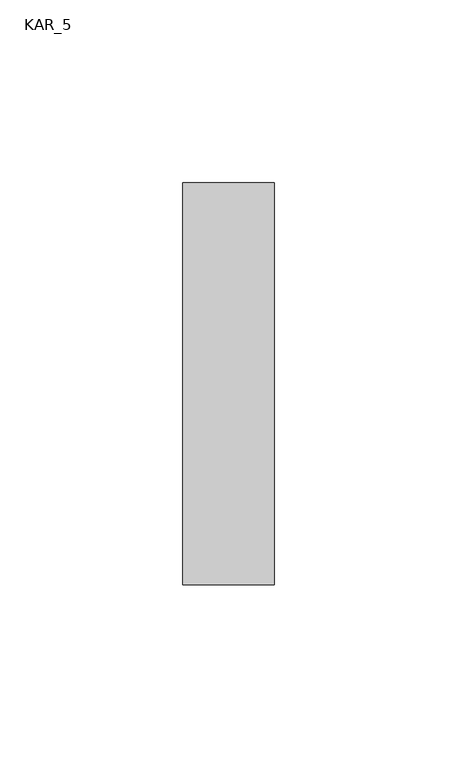
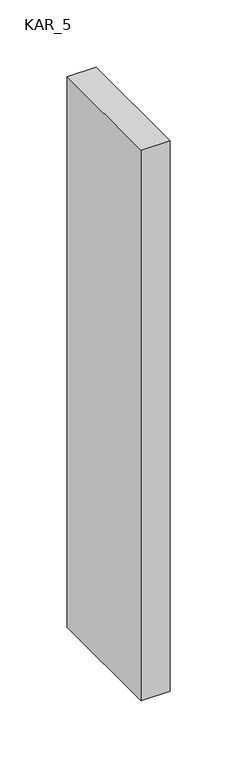
"""IFC4 building model written with IfcOpenShell, lengths in millimetres: proxy geometry, KAR_5."""

import ifcopenshell
import ifcopenshell.guid

model = None  # the IFC model being written
_history = None  # IfcOwnerHistory: only IFC2X3 demands one
_inside = {}  # id of a spatial element -> (the spatial element, [elements in it])
_under = {}  # id of a project, library or spatial element -> (it, [spatial elements below it])
_declared = {}  # id of a project -> (the project, [libraries it declares])
_typed = {}  # id of a type object -> (the type object, [elements of that type])
_made_of = {}  # id of a material, layer set ... -> (it, [elements and type objects made of it])


def new_model(schema):
    """Start an empty IFC model of exactly this schema.

    Asked for "IFC4X3", IfcOpenShell would pick the latest addendum, in which some entities
    have other attributes; the version numbers below select the first issue.
    IFC2X3 requires an IfcOwnerHistory on every rooted entity: one is made here for all.
    """
    global model, _history
    if schema == "IFC4X3":
        model = ifcopenshell.file(schema_version=(4, 3, 0, 0))
    else:
        model = ifcopenshell.file(schema=schema)
    _inside.clear()
    _under.clear()
    _declared.clear()
    _typed.clear()
    _made_of.clear()
    _history = None
    if model.schema == "IFC2X3":
        org = make("IfcOrganization", Name="unknown")
        user = make(
            "IfcPersonAndOrganization",
            ThePerson=make("IfcPerson", FamilyName="unknown"),
            TheOrganization=org,
        )
        app = make(
            "IfcApplication",
            ApplicationDeveloper=org,
            Version="unknown",
            ApplicationFullName="unknown",
            ApplicationIdentifier="unknown",
        )
        _history = make(
            "IfcOwnerHistory",
            OwningUser=user,
            OwningApplication=app,
            ChangeAction="ADDED",
            CreationDate=0,
        )
    return model


def make(cls, **values):
    """One entity of the class cls with the attributes given. An attribute that is None is left unset."""
    return model.create_entity(
        cls, **{name: value for name, value in values.items() if value is not None}
    )


def rooted(cls, **values):
    """An entity with a GlobalId (a new one), such as an element, a storey or a relation."""
    return make(cls, GlobalId=ifcopenshell.guid.new(), OwnerHistory=_history, **values)


def si_unit(unit_type, name, prefix=None):
    """IfcSIUnit, for example si_unit("LENGTHUNIT", "METRE", prefix="MILLI")."""
    return make("IfcSIUnit", UnitType=unit_type, Prefix=prefix, Name=name)


def assignment(units):
    """IfcUnitAssignment: the units of a project."""
    return None if units is None else make("IfcUnitAssignment", Units=units)


def point(xyz):
    """IfcCartesianPoint."""
    return None if xyz is None else make("IfcCartesianPoint", Coordinates=xyz)


def direction(xyz):
    """IfcDirection."""
    return None if xyz is None else make("IfcDirection", DirectionRatios=xyz)


def frame(location, z_axis=None, x_axis=None):
    """IfcAxis2Placement3D, a coordinate frame: its origin and axes. An axis left out is left unset."""
    return make(
        "IfcAxis2Placement3D",
        Location=point(location),
        Axis=direction(z_axis),
        RefDirection=direction(x_axis),
    )


def origin():
    """The frame at (0, 0, 0) with its axes left unset."""
    return frame((0.0, 0.0, 0.0))


def place(relative_to, where):
    """IfcLocalPlacement: puts the frame where relative to a parent placement (None: the world)."""
    return make(
        "IfcLocalPlacement", PlacementRelTo=relative_to, RelativePlacement=where
    )


def context(
    kind, dimensions, precision=None, world=None, true_north=None, identifier=None
):
    """IfcGeometricRepresentationContext, for example the 3D "Model" context."""
    return make(
        "IfcGeometricRepresentationContext",
        ContextIdentifier=identifier,
        ContextType=kind,
        CoordinateSpaceDimension=dimensions,
        Precision=precision,
        WorldCoordinateSystem=world,
        TrueNorth=true_north,
    )


def project(units=None, contexts=None):
    """IfcProject with its units and contexts."""
    return rooted(
        "IfcProject",
        Name="project",
        RepresentationContexts=contexts,
        UnitsInContext=assignment(units),
    )


def spatial(cls, under=None, at=None, **own):
    """A site, building, storey or space (cls), placed at a placement, below another one or the project."""
    s = rooted(cls, ObjectPlacement=at, **own)
    if under is not None:
        _under.setdefault(under.id(), (under, []))[1].append(s)
    return s


def polyline(points):
    """IfcPolyline through the points."""
    return make("IfcPolyline", Points=[point(p) for p in points])


def outline(outer, holes=None, kind="AREA"):
    """IfcArbitraryClosedProfileDef: a profile drawn as a closed curve; with holes, ...WithVoids."""
    if holes is None:
        return make("IfcArbitraryClosedProfileDef", ProfileType=kind, OuterCurve=outer)
    return make(
        "IfcArbitraryProfileDefWithVoids",
        ProfileType=kind,
        OuterCurve=outer,
        InnerCurves=holes,
    )


def extrude(swept, where, along, depth):
    """IfcExtrudedAreaSolid: the profile swept, set in the frame where, extruded along a direction by depth."""
    return make(
        "IfcExtrudedAreaSolid",
        SweptArea=swept,
        Position=where,
        ExtrudedDirection=direction(along),
        Depth=depth,
    )


def shape(context_of_items, identifier, shape_type, items):
    """IfcShapeRepresentation: the items that make up one representation, for example the "Body"."""
    return make(
        "IfcShapeRepresentation",
        ContextOfItems=context_of_items,
        RepresentationIdentifier=identifier,
        RepresentationType=shape_type,
        Items=items,
    )


def source(mapping_origin, context_of_items, identifier, shape_type, items):
    """IfcRepresentationMap: a shape defined once, which mapped items show again and again."""
    return make(
        "IfcRepresentationMap",
        MappingOrigin=mapping_origin,
        MappedRepresentation=shape(context_of_items, identifier, shape_type, items),
    )


def transform(
    local_origin,
    x_axis=None,
    y_axis=None,
    z_axis=None,
    scale=None,
    scale2=None,
    scale3=None,
    uniform=True,
):
    """IfcCartesianTransformationOperator3D, or its non-uniform kind. x_axis, y_axis, z_axis: its Axis1, 2, 3."""
    if uniform:
        return make(
            "IfcCartesianTransformationOperator3D",
            Axis1=direction(x_axis),
            Axis2=direction(y_axis),
            LocalOrigin=point(local_origin),
            Scale=scale,
            Axis3=direction(z_axis),
        )
    return make(
        "IfcCartesianTransformationOperator3DnonUniform",
        Axis1=direction(x_axis),
        Axis2=direction(y_axis),
        LocalOrigin=point(local_origin),
        Scale=scale,
        Axis3=direction(z_axis),
        Scale2=scale2,
        Scale3=scale3,
    )


def mapped(mapping_source, mapping_target):
    """IfcMappedItem: shows the shape of a source again, moved by a transform."""
    return make(
        "IfcMappedItem", MappingSource=mapping_source, MappingTarget=mapping_target
    )


def made_of(thing, what):
    """Note that an element or type object is made of a material, layer set ...; save() writes the relation."""
    if what is not None:
        _made_of.setdefault(what.id(), (what, []))[1].append(thing)
    return thing


def element(
    cls,
    number,
    at=None,
    inside=None,
    cuts=None,
    type_object=None,
    material=None,
    context=None,
    identifier="Body",
    shape_type=None,
    held_by="IfcProductDefinitionShape",
    body=None,
    shapes=None,
    **own,
):
    """One element of the class cls, such as IfcWall. Its Tag is "e" and its number.

    at: its placement. inside: the storey or other place that contains it. cuts: it is an
    opening in that element (IfcRelVoidsElement). A single representation is given by context,
    identifier, shape_type and body (its items); several are given by shapes. held_by: the class
    of the entity that holds the representations. save() writes the other relations.
    """
    e = rooted(cls, Tag="e%d" % number, ObjectPlacement=at, **own)
    if body is not None:
        shapes = [shape(context, identifier, shape_type, body)]
    if shapes is not None:
        e.Representation = make(held_by, Representations=shapes)
    if inside is not None:
        _inside.setdefault(inside.id(), (inside, []))[1].append(e)
    if cuts is not None:
        rooted(
            "IfcRelVoidsElement", RelatingBuildingElement=cuts, RelatedOpeningElement=e
        )
    if type_object is not None:
        _typed.setdefault(type_object.id(), (type_object, []))[1].append(e)
    return made_of(e, material)


def aggregate(whole, parts):
    """IfcRelAggregates: a whole, such as a stair, and the parts it consists of."""
    return rooted("IfcRelAggregates", RelatingObject=whole, RelatedObjects=parts)


def save(model, path):
    """Write the relations noted so far, then the file.

    IfcRelAggregates (storeys below a building ...), IfcRelContainedInSpatialStructure (elements
    in a storey), IfcRelDefinesByType, IfcRelAssociatesMaterial and IfcRelDeclares: one each for
    every whole, place, type object, material and project.
    """
    for whole, parts in _under.values():
        aggregate(whole, parts)
    for where, things in _inside.values():
        rooted(
            "IfcRelContainedInSpatialStructure",
            RelatedElements=things,
            RelatingStructure=where,
        )
    for kind, things in _typed.values():
        rooted("IfcRelDefinesByType", RelatedObjects=things, RelatingType=kind)
    for what, things in _made_of.values():
        rooted("IfcRelAssociatesMaterial", RelatedObjects=things, RelatingMaterial=what)
    for by, libraries in _declared.values():
        rooted("IfcRelDeclares", RelatingContext=by, RelatedDefinitions=libraries)
    model.write(path)


def kar_5_f2f77ad1(model_context):
    return source(origin(), model_context, "Body", "SweptSolid", [
        extrude(outline(polyline([(25.0, 110.0), (25.0, 0.0), (0.0, 0.0), (0.0, 110.0), (25.0, 110.0)])), frame((0.0, 0.0, 1200.0), z_axis=(0.0, 0.0, 1.0), x_axis=(1.0, 0.0, 0.0)), (0.0, 0.0, 1.0), 500.0),
    ])


if __name__ == "__main__":
    model = new_model("IFC4")
    model_context = context("Model", 3, world=origin())
    ifc_project = project(units=[si_unit("LENGTHUNIT", "METRE", prefix="MILLI")], contexts=[model_context])
    site = spatial("IfcSite", under=ifc_project)
    building = spatial("IfcBuilding", under=site)
    placement = place(None, origin())
    kar_5_shape = kar_5_f2f77ad1(model_context)
    element("IfcBuildingElementProxy", 1, Name="KAR_5", ObjectType="KAR_5", at=placement, inside=building, context=model_context, shape_type="MappedRepresentation", body=[
        mapped(kar_5_shape, transform((0.0, 0.0, 0.0), x_axis=(1.0, 0.0, 0.0), y_axis=(0.0, 1.0, 0.0), z_axis=(0.0, 0.0, 1.0))),
    ])
    save(model, "model.ifc")
